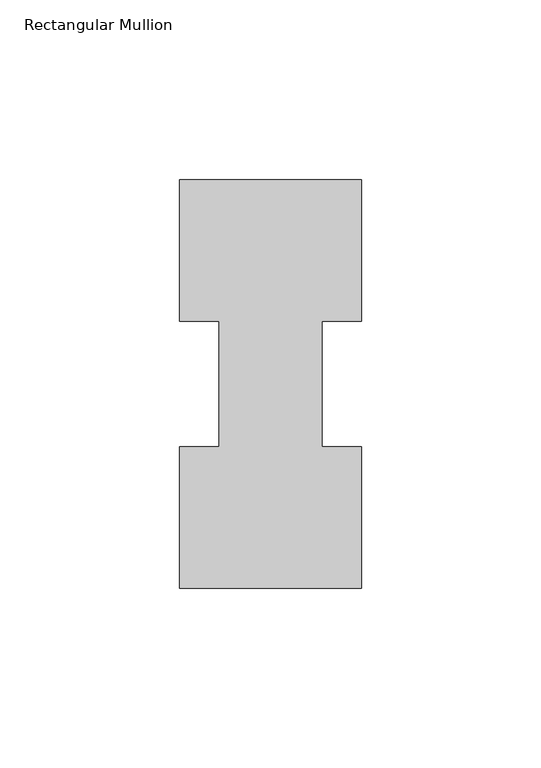
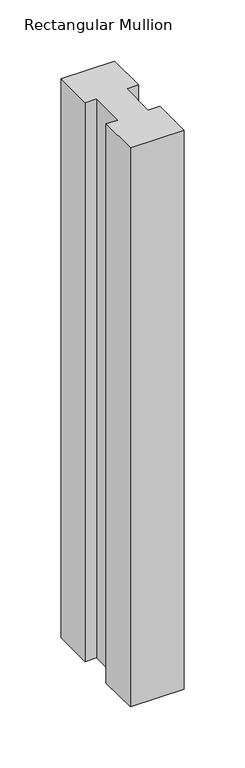
"""IFC4 building model written with IfcOpenShell, lengths in millimetres: member geometry, Rectangular Mullion."""

from ifc_helpers import new_model, si_unit, frame, origin, place, context, project, spatial, polyline, outline, extrude, source, transform, mapped, element, save


def rectangular_mullion_bbc6361f(model_context):
    return source(origin(), model_context, "Body", "SweptSolid", [
        extrude(outline(polyline([(-50.8, 114.017425), (0.0, 114.017425), (0.0, 74.596625), (-11.0998, 74.596625), (-11.0998, 39.646225), (0.0, 39.646225), (0.0, 0.225425), (-50.8, 0.225425), (-50.8, 39.646225), (-39.6875, 39.646225), (-39.6875, 74.596625), (-50.8, 74.596625), (-50.8, 114.017425)])), frame((0.0, 0.0, -558.8), z_axis=(0.0, 0.0, 1.0), x_axis=(1.0, 0.0, 0.0)), (0.0, 0.0, 1.0), 558.8),
    ])


if __name__ == "__main__":
    model = new_model("IFC4")
    model_context = context("Model", 3, world=origin())
    ifc_project = project(units=[si_unit("LENGTHUNIT", "METRE", prefix="MILLI")], contexts=[model_context])
    site = spatial("IfcSite", under=ifc_project)
    building = spatial("IfcBuilding", under=site)
    placement = place(None, origin())
    rectangular_mullion_shape = rectangular_mullion_bbc6361f(model_context)
    element("IfcMember", 1, ObjectType="Rectangular Mullion", at=placement, inside=building, context=model_context, shape_type="MappedRepresentation", body=[
        mapped(rectangular_mullion_shape, transform((0.0, 0.0, 0.0), x_axis=(1.0, 0.0, 0.0), y_axis=(0.0, 1.0, 0.0), z_axis=(0.0, 0.0, 1.0))),
    ])
    save(model, "model.ifc")
